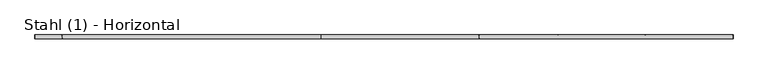
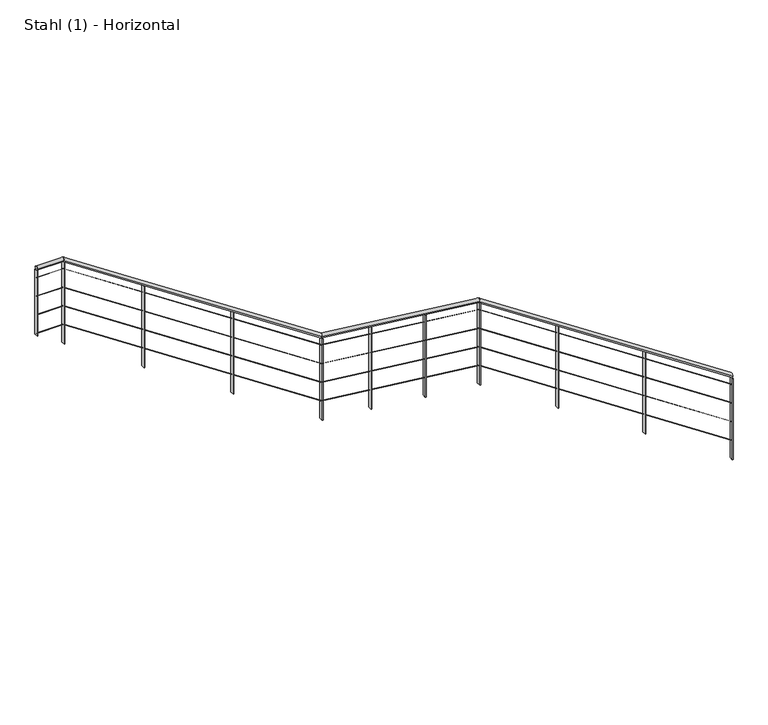
"""IFC4 building model written with IfcOpenShell, lengths in millimetres: railing geometry, Stahl (1) - Horizontal."""

from ifc_helpers import new_model, si_unit, frame, origin, place, context, project, spatial, polyline, circle_curve, ellipse_curve, outline, extrude, source, transform, mapped, element, save
from ifc_brep_helpers import plane_surface, cylinder_surface, advanced_brep


def stahl_1_horizontal_60a1b76e(model_context):
    return source(origin(), model_context, "Body", "SolidModel", [
        advanced_brep(
        [(4634.376212, 4905.5303268, 1086.2890973), (4634.376212, 4865.5303268, 1086.2890973), (2061.3911683, 4905.5303268, 2791.1440522), (2061.3911683, 4865.5303268, 2791.1440522), (461.3911683, 4905.5303268, 2972.0964332), (461.3911683, 4865.5303268, 2972.0964332), (-2160.4580306, 4905.5303268, 4709.3286835), (-2160.4580306, 4865.5303268, 4709.3286835), (-2427.5285499, 4905.5303268, 4709.3286835), (-2427.5285499, 4865.5303268, 4709.3286835)],
        [
            (0, 1, ellipse_curve(frame((4634.376212, 4885.5303268, 1086.2890973), z_axis=(1.0, 0.0, 0.0), x_axis=(0.0, 0.0, -1.0)), 23.9919671, 20.0)),
            (1, 0, ellipse_curve(frame((4634.376212, 4885.5303268, 1086.2890973), z_axis=(1.0, 0.0, 0.0), x_axis=(0.0, 0.0, -1.0)), 23.9919671, 20.0)),
            (0, 2),
            (2, 3, ellipse_curve(frame((2061.3911683, 4885.5303268, 2791.1440522), z_axis=(0.9397497898618704, 0.0, -0.3418630317167541), x_axis=(-0.34186303171675386, 0.0, -0.9397497898618706)), 20.5715803, 20.0)),
            (3, 1),
            (3, 2, ellipse_curve(frame((2061.3911683, 4885.5303268, 2791.1440522), z_axis=(0.9397497898618704, 0.0, -0.3418630317167541), x_axis=(-0.34186303171675386, 0.0, -0.9397497898618706)), 20.5715803, 20.0)),
            (2, 4),
            (4, 5, ellipse_curve(frame((461.3911683, 4885.5303268, 2972.0964332), z_axis=(0.9397497898618704, 0.0, -0.3418630317167541), x_axis=(0.34186303171675414, 0.0, 0.9397497898618703)), 20.5715803, 20.0)),
            (5, 3),
            (5, 4, ellipse_curve(frame((461.3911683, 4885.5303268, 2972.0964332), z_axis=(0.9397497898618704, 0.0, -0.3418630317167541), x_axis=(0.34186303171675414, 0.0, 0.9397497898618703)), 20.5715803, 20.0)),
            (4, 6),
            (6, 7, ellipse_curve(frame((-2160.4580306, 4885.5303268, 4709.3286835), z_axis=(0.9574999596457313, 0.0, -0.28843340180780547), x_axis=(-0.28843340180780525, 0.0, -0.9574999596457313)), 20.8877293, 20.0)),
            (7, 5),
            (7, 6, ellipse_curve(frame((-2160.4580306, 4885.5303268, 4709.3286835), z_axis=(0.9574999596457313, 0.0, -0.28843340180780547), x_axis=(-0.28843340180780525, 0.0, -0.9574999596457313)), 20.8877293, 20.0)),
            (8, 9, circle_curve(frame((-2427.5285499, 4885.5303268, 4709.3286835), z_axis=(-1.0, 0.0, 0.0), x_axis=(0.0, -1.0, 0.0)), 20.0)),
            (9, 8, circle_curve(frame((-2427.5285499, 4885.5303268, 4709.3286835), z_axis=(-1.0, 0.0, 0.0), x_axis=(0.0, -1.0, 0.0)), 20.0)),
            (6, 8),
            (9, 7),
        ],
        [
            plane_surface(frame((4634.376212, 4885.5303268, 1110.2810645), z_axis=(1.0, 0.0, 0.0), x_axis=(0.0, -1.0, 0.0))),
            cylinder_surface(frame((4623.3292132, 4885.5303268, 1093.6088176), z_axis=(0.833612345443154, 0.0, -0.5523499411829096), x_axis=(0.0, -1.0, 0.0)), 20.0),
            cylinder_surface(frame((2066.1762545, 4885.5303268, 2790.6028818), z_axis=(0.9936654360374934, 0.0, -0.11237882907566872), x_axis=(0.0, -1.0, 0.0)), 20.0),
            cylinder_surface(frame((457.3768323, 4885.5303268, 2974.7563245), z_axis=(0.833612345443154, 0.0, -0.5523499411829096), x_axis=(0.0, -1.0, 0.0)), 20.0),
            plane_surface(frame((-2427.5285499, 4885.5303268, 4729.3286835), z_axis=(-1.0, 0.0, 0.0), x_axis=(0.0, -1.0, 0.0))),
            cylinder_surface(frame((-2154.4333118, 4885.5303268, 4709.3286835), z_axis=(1.0, 0.0, 0.0), x_axis=(0.0, -1.0, 0.0)), 20.0),
        ],
        [
            (0, [[1, 2]]),
            (1, [[-1, 3, 4, 5]]),
            (1, [[-2, -5, 6, -3]]),
            (2, [[-4, 7, 8, 9]]),
            (2, [[-6, -9, 10, -7]]),
            (3, [[-8, 11, 12, 13]]),
            (3, [[-10, -13, 14, -11]]),
            (4, [[15, 16]]),
            (5, [[-12, 17, -16, 18]]),
            (5, [[-14, -18, -15, -17]]),
        ],
    ),
        advanced_brep(
        [(4634.376212, 4887.0303268, 988.4816669), (4634.376212, 4884.0303268, 988.4816669), (2067.8963814, 4887.0303268, 2689.0262801), (2067.8963814, 4884.0303268, 2689.0262801), (467.8963814, 4887.0303268, 2869.9786611), (467.8963814, 4884.0303268, 2869.9786611), (-2154.8851657, 4887.0303268, 4607.8286835), (-2154.8851657, 4884.0303268, 4607.8286835), (-2427.5285499, 4887.0303268, 4607.8286835), (-2427.5285499, 4884.0303268, 4607.8286835)],
        [
            (0, 1, ellipse_curve(frame((4634.376212, 4885.5303268, 988.4816669), z_axis=(1.0, 0.0, 0.0), x_axis=(0.0, 0.0, -1.0)), 1.7993975, 1.5)),
            (1, 0, ellipse_curve(frame((4634.376212, 4885.5303268, 988.4816669), z_axis=(1.0, 0.0, 0.0), x_axis=(0.0, 0.0, -1.0)), 1.7993975, 1.5)),
            (0, 2),
            (2, 3, ellipse_curve(frame((2067.8963814, 4885.5303268, 2689.0262801), z_axis=(0.9397497898618704, 0.0, -0.3418630317167542), x_axis=(-0.3418630317167542, 0.0, -0.9397497898618702)), 1.5428685, 1.5)),
            (3, 1),
            (3, 2, ellipse_curve(frame((2067.8963814, 4885.5303268, 2689.0262801), z_axis=(0.9397497898618704, 0.0, -0.3418630317167542), x_axis=(-0.3418630317167542, 0.0, -0.9397497898618702)), 1.5428685, 1.5)),
            (2, 4),
            (4, 5, ellipse_curve(frame((467.8963814, 4885.5303268, 2869.9786611), z_axis=(0.9397497898618703, 0.0, -0.34186303171675436), x_axis=(0.3418630317167544, 0.0, 0.9397497898618703)), 1.5428685, 1.5)),
            (5, 3),
            (5, 4, ellipse_curve(frame((467.8963814, 4885.5303268, 2869.9786611), z_axis=(0.9397497898618703, 0.0, -0.34186303171675436), x_axis=(0.3418630317167544, 0.0, 0.9397497898618703)), 1.5428685, 1.5)),
            (4, 6),
            (6, 7, ellipse_curve(frame((-2154.8851657, 4885.5303268, 4607.8286835), z_axis=(0.9574999596457312, 0.0, -0.2884334018078059), x_axis=(-0.2884334018078064, 0.0, -0.957499959645731)), 1.5665797, 1.5)),
            (7, 5),
            (7, 6, ellipse_curve(frame((-2154.8851657, 4885.5303268, 4607.8286835), z_axis=(0.9574999596457312, 0.0, -0.2884334018078059), x_axis=(-0.2884334018078064, 0.0, -0.957499959645731)), 1.5665797, 1.5)),
            (8, 9, circle_curve(frame((-2427.5285499, 4885.5303268, 4607.8286835), z_axis=(-1.0, 0.0, 0.0), x_axis=(0.0, -1.0, 0.0)), 1.5)),
            (9, 8, circle_curve(frame((-2427.5285499, 4885.5303268, 4607.8286835), z_axis=(-1.0, 0.0, 0.0), x_axis=(0.0, -1.0, 0.0)), 1.5)),
            (6, 8),
            (9, 7),
        ],
        [
            plane_surface(frame((4634.376212, 4885.5303268, 990.2810645), z_axis=(1.0, 0.0, 0.0), x_axis=(0.0, -1.0, 0.0))),
            cylinder_surface(frame((4633.5476871, 4885.5303268, 989.030646), z_axis=(0.833612345443154, 0.0, -0.5523499411829097), x_axis=(0.0, -1.0, 0.0)), 1.5),
            cylinder_surface(frame((2068.2552628, 4885.5303268, 2688.9856923), z_axis=(0.9936654360374934, 0.0, -0.11237882907566885), x_axis=(0.0, -1.0, 0.0)), 1.5),
            cylinder_surface(frame((467.5953062, 4885.5303268, 2870.1781529), z_axis=(0.8336123454431538, 0.0, -0.55234994118291), x_axis=(0.0, -1.0, 0.0)), 1.5),
            plane_surface(frame((-2427.5285499, 4885.5303268, 4609.3286835), z_axis=(-1.0, 0.0, 0.0), x_axis=(0.0, -1.0, 0.0))),
            cylinder_surface(frame((-2154.4333118, 4885.5303268, 4607.8286835), z_axis=(1.0, 0.0, 0.0), x_axis=(0.0, -1.0, 0.0)), 1.5),
        ],
        [
            (0, [[1, 2]]),
            (1, [[-1, 3, 4, 5]]),
            (1, [[-2, -5, 6, -3]]),
            (2, [[-4, 7, 8, 9]]),
            (2, [[-6, -9, 10, -7]]),
            (3, [[-8, 11, 12, 13]]),
            (3, [[-10, -13, 14, -11]]),
            (4, [[15, 16]]),
            (5, [[-12, 17, -16, 18]]),
            (5, [[-14, -18, -15, -17]]),
        ],
    ),
        advanced_brep(
        [(4634.376212, 4887.0303268, 788.4816669), (4634.376212, 4884.0303268, 788.4816669), (2067.8963814, 4887.0303268, 2489.0262801), (2067.8963814, 4884.0303268, 2489.0262801), (467.8963814, 4887.0303268, 2669.9786611), (467.8963814, 4884.0303268, 2669.9786611), (-2154.8851657, 4887.0303268, 4407.8286835), (-2154.8851657, 4884.0303268, 4407.8286835), (-2427.5285499, 4887.0303268, 4407.8286835), (-2427.5285499, 4884.0303268, 4407.8286835)],
        [
            (0, 1, ellipse_curve(frame((4634.376212, 4885.5303268, 788.4816669), z_axis=(1.0, 0.0, 0.0), x_axis=(0.0, 0.0, -1.0)), 1.7993975, 1.5)),
            (1, 0, ellipse_curve(frame((4634.376212, 4885.5303268, 788.4816669), z_axis=(1.0, 0.0, 0.0), x_axis=(0.0, 0.0, -1.0)), 1.7993975, 1.5)),
            (0, 2),
            (2, 3, ellipse_curve(frame((2067.8963814, 4885.5303268, 2489.0262801), z_axis=(0.9397497898618704, 0.0, -0.3418630317167542), x_axis=(-0.3418630317167542, 0.0, -0.9397497898618702)), 1.5428685, 1.5)),
            (3, 1),
            (3, 2, ellipse_curve(frame((2067.8963814, 4885.5303268, 2489.0262801), z_axis=(0.9397497898618704, 0.0, -0.3418630317167542), x_axis=(-0.3418630317167542, 0.0, -0.9397497898618702)), 1.5428685, 1.5)),
            (2, 4),
            (4, 5, ellipse_curve(frame((467.8963814, 4885.5303268, 2669.9786611), z_axis=(0.9397497898618703, 0.0, -0.34186303171675436), x_axis=(0.3418630317167544, 0.0, 0.9397497898618703)), 1.5428685, 1.5)),
            (5, 3),
            (5, 4, ellipse_curve(frame((467.8963814, 4885.5303268, 2669.9786611), z_axis=(0.9397497898618703, 0.0, -0.34186303171675436), x_axis=(0.3418630317167544, 0.0, 0.9397497898618703)), 1.5428685, 1.5)),
            (4, 6),
            (6, 7, ellipse_curve(frame((-2154.8851657, 4885.5303268, 4407.8286835), z_axis=(0.9574999596457312, 0.0, -0.2884334018078059), x_axis=(-0.2884334018078064, 0.0, -0.957499959645731)), 1.5665797, 1.5)),
            (7, 5),
            (7, 6, ellipse_curve(frame((-2154.8851657, 4885.5303268, 4407.8286835), z_axis=(0.9574999596457312, 0.0, -0.2884334018078059), x_axis=(-0.2884334018078064, 0.0, -0.957499959645731)), 1.5665797, 1.5)),
            (8, 9, circle_curve(frame((-2427.5285499, 4885.5303268, 4407.8286835), z_axis=(-1.0, 0.0, 0.0), x_axis=(0.0, -1.0, 0.0)), 1.5)),
            (9, 8, circle_curve(frame((-2427.5285499, 4885.5303268, 4407.8286835), z_axis=(-1.0, 0.0, 0.0), x_axis=(0.0, -1.0, 0.0)), 1.5)),
            (6, 8),
            (9, 7),
        ],
        [
            plane_surface(frame((4634.376212, 4885.5303268, 790.2810645), z_axis=(1.0, 0.0, 0.0), x_axis=(0.0, -1.0, 0.0))),
            cylinder_surface(frame((4633.5476871, 4885.5303268, 789.030646), z_axis=(0.833612345443154, 0.0, -0.5523499411829097), x_axis=(0.0, -1.0, 0.0)), 1.5),
            cylinder_surface(frame((2068.2552628, 4885.5303268, 2488.9856923), z_axis=(0.9936654360374934, 0.0, -0.11237882907566885), x_axis=(0.0, -1.0, 0.0)), 1.5),
            cylinder_surface(frame((467.5953062, 4885.5303268, 2670.1781529), z_axis=(0.8336123454431538, 0.0, -0.55234994118291), x_axis=(0.0, -1.0, 0.0)), 1.5),
            plane_surface(frame((-2427.5285499, 4885.5303268, 4409.3286835), z_axis=(-1.0, 0.0, 0.0), x_axis=(0.0, -1.0, 0.0))),
            cylinder_surface(frame((-2154.4333118, 4885.5303268, 4407.8286835), z_axis=(1.0, 0.0, 0.0), x_axis=(0.0, -1.0, 0.0)), 1.5),
        ],
        [
            (0, [[1, 2]]),
            (1, [[-1, 3, 4, 5]]),
            (1, [[-2, -5, 6, -3]]),
            (2, [[-4, 7, 8, 9]]),
            (2, [[-6, -9, 10, -7]]),
            (3, [[-8, 11, 12, 13]]),
            (3, [[-10, -13, 14, -11]]),
            (4, [[15, 16]]),
            (5, [[-12, 17, -16, 18]]),
            (5, [[-14, -18, -15, -17]]),
        ],
    ),
        advanced_brep(
        [(4634.376212, 4887.0303268, 588.4816669), (4634.376212, 4884.0303268, 588.4816669), (2067.8963814, 4887.0303268, 2289.0262801), (2067.8963814, 4884.0303268, 2289.0262801), (467.8963814, 4887.0303268, 2469.9786611), (467.8963814, 4884.0303268, 2469.9786611), (-2154.8851657, 4887.0303268, 4207.8286835), (-2154.8851657, 4884.0303268, 4207.8286835), (-2427.5285499, 4887.0303268, 4207.8286835), (-2427.5285499, 4884.0303268, 4207.8286835)],
        [
            (0, 1, ellipse_curve(frame((4634.376212, 4885.5303268, 588.4816669), z_axis=(1.0, 0.0, 0.0), x_axis=(0.0, 0.0, -1.0)), 1.7993975, 1.5)),
            (1, 0, ellipse_curve(frame((4634.376212, 4885.5303268, 588.4816669), z_axis=(1.0, 0.0, 0.0), x_axis=(0.0, 0.0, -1.0)), 1.7993975, 1.5)),
            (0, 2),
            (2, 3, ellipse_curve(frame((2067.8963814, 4885.5303268, 2289.0262801), z_axis=(0.9397497898618704, 0.0, -0.3418630317167542), x_axis=(-0.3418630317167542, 0.0, -0.9397497898618702)), 1.5428685, 1.5)),
            (3, 1),
            (3, 2, ellipse_curve(frame((2067.8963814, 4885.5303268, 2289.0262801), z_axis=(0.9397497898618704, 0.0, -0.3418630317167542), x_axis=(-0.3418630317167542, 0.0, -0.9397497898618702)), 1.5428685, 1.5)),
            (2, 4),
            (4, 5, ellipse_curve(frame((467.8963814, 4885.5303268, 2469.9786611), z_axis=(0.9397497898618703, 0.0, -0.34186303171675436), x_axis=(0.3418630317167544, 0.0, 0.9397497898618703)), 1.5428685, 1.5)),
            (5, 3),
            (5, 4, ellipse_curve(frame((467.8963814, 4885.5303268, 2469.9786611), z_axis=(0.9397497898618703, 0.0, -0.34186303171675436), x_axis=(0.3418630317167544, 0.0, 0.9397497898618703)), 1.5428685, 1.5)),
            (4, 6),
            (6, 7, ellipse_curve(frame((-2154.8851657, 4885.5303268, 4207.8286835), z_axis=(0.9574999596457312, 0.0, -0.2884334018078059), x_axis=(-0.2884334018078064, 0.0, -0.957499959645731)), 1.5665797, 1.5)),
            (7, 5),
            (7, 6, ellipse_curve(frame((-2154.8851657, 4885.5303268, 4207.8286835), z_axis=(0.9574999596457312, 0.0, -0.2884334018078059), x_axis=(-0.2884334018078064, 0.0, -0.957499959645731)), 1.5665797, 1.5)),
            (8, 9, circle_curve(frame((-2427.5285499, 4885.5303268, 4207.8286835), z_axis=(-1.0, 0.0, 0.0), x_axis=(0.0, -1.0, 0.0)), 1.5)),
            (9, 8, circle_curve(frame((-2427.5285499, 4885.5303268, 4207.8286835), z_axis=(-1.0, 0.0, 0.0), x_axis=(0.0, -1.0, 0.0)), 1.5)),
            (6, 8),
            (9, 7),
        ],
        [
            plane_surface(frame((4634.376212, 4885.5303268, 590.2810645), z_axis=(1.0, 0.0, 0.0), x_axis=(0.0, -1.0, 0.0))),
            cylinder_surface(frame((4633.5476871, 4885.5303268, 589.030646), z_axis=(0.833612345443154, 0.0, -0.5523499411829097), x_axis=(0.0, -1.0, 0.0)), 1.5),
            cylinder_surface(frame((2068.2552628, 4885.5303268, 2288.9856923), z_axis=(0.9936654360374934, 0.0, -0.11237882907566885), x_axis=(0.0, -1.0, 0.0)), 1.5),
            cylinder_surface(frame((467.5953062, 4885.5303268, 2470.1781529), z_axis=(0.8336123454431538, 0.0, -0.55234994118291), x_axis=(0.0, -1.0, 0.0)), 1.5),
            plane_surface(frame((-2427.5285499, 4885.5303268, 4209.3286835), z_axis=(-1.0, 0.0, 0.0), x_axis=(0.0, -1.0, 0.0))),
            cylinder_surface(frame((-2154.4333118, 4885.5303268, 4207.8286835), z_axis=(1.0, 0.0, 0.0), x_axis=(0.0, -1.0, 0.0)), 1.5),
        ],
        [
            (0, [[1, 2]]),
            (1, [[-1, 3, 4, 5]]),
            (1, [[-2, -5, 6, -3]]),
            (2, [[-4, 7, 8, 9]]),
            (2, [[-6, -9, 10, -7]]),
            (3, [[-8, 11, 12, 13]]),
            (3, [[-10, -13, 14, -11]]),
            (4, [[15, 16]]),
            (5, [[-12, 17, -16, 18]]),
            (5, [[-14, -18, -15, -17]]),
        ],
    ),
        advanced_brep(
        [(4634.376212, 4887.0303268, 388.4816669), (4634.376212, 4884.0303268, 388.4816669), (2067.8963814, 4887.0303268, 2089.0262801), (2067.8963814, 4884.0303268, 2089.0262801), (467.8963814, 4887.0303268, 2269.9786611), (467.8963814, 4884.0303268, 2269.9786611), (-2154.8851657, 4887.0303268, 4007.8286835), (-2154.8851657, 4884.0303268, 4007.8286835), (-2427.5285499, 4887.0303268, 4007.8286835), (-2427.5285499, 4884.0303268, 4007.8286835)],
        [
            (0, 1, ellipse_curve(frame((4634.376212, 4885.5303268, 388.4816669), z_axis=(1.0, 0.0, 0.0), x_axis=(0.0, 0.0, -1.0)), 1.7993975, 1.5)),
            (1, 0, ellipse_curve(frame((4634.376212, 4885.5303268, 388.4816669), z_axis=(1.0, 0.0, 0.0), x_axis=(0.0, 0.0, -1.0)), 1.7993975, 1.5)),
            (0, 2),
            (2, 3, ellipse_curve(frame((2067.8963814, 4885.5303268, 2089.0262801), z_axis=(0.9397497898618704, 0.0, -0.3418630317167542), x_axis=(-0.3418630317167544, 0.0, -0.9397497898618703)), 1.5428685, 1.5)),
            (3, 1),
            (3, 2, ellipse_curve(frame((2067.8963814, 4885.5303268, 2089.0262801), z_axis=(0.9397497898618704, 0.0, -0.3418630317167542), x_axis=(-0.3418630317167544, 0.0, -0.9397497898618703)), 1.5428685, 1.5)),
            (2, 4),
            (4, 5, ellipse_curve(frame((467.8963814, 4885.5303268, 2269.9786611), z_axis=(0.9397497898618703, 0.0, -0.3418630317167542), x_axis=(0.34186303171675436, 0.0, 0.9397497898618704)), 1.5428685, 1.5)),
            (5, 3),
            (5, 4, ellipse_curve(frame((467.8963814, 4885.5303268, 2269.9786611), z_axis=(0.9397497898618703, 0.0, -0.3418630317167542), x_axis=(0.34186303171675436, 0.0, 0.9397497898618704)), 1.5428685, 1.5)),
            (4, 6),
            (6, 7, ellipse_curve(frame((-2154.8851657, 4885.5303268, 4007.8286835), z_axis=(0.9574999596457313, 0.0, -0.2884334018078055), x_axis=(-0.28843340180780525, 0.0, -0.9574999596457314)), 1.5665797, 1.5)),
            (7, 5),
            (7, 6, ellipse_curve(frame((-2154.8851657, 4885.5303268, 4007.8286835), z_axis=(0.9574999596457313, 0.0, -0.2884334018078055), x_axis=(-0.28843340180780525, 0.0, -0.9574999596457314)), 1.5665797, 1.5)),
            (8, 9, circle_curve(frame((-2427.5285499, 4885.5303268, 4007.8286835), z_axis=(-1.0, 0.0, 0.0), x_axis=(0.0, -1.0, 0.0)), 1.5)),
            (9, 8, circle_curve(frame((-2427.5285499, 4885.5303268, 4007.8286835), z_axis=(-1.0, 0.0, 0.0), x_axis=(0.0, -1.0, 0.0)), 1.5)),
            (6, 8),
            (9, 7),
        ],
        [
            plane_surface(frame((4634.376212, 4885.5303268, 390.2810645), z_axis=(1.0, 0.0, 0.0), x_axis=(0.0, -1.0, 0.0))),
            cylinder_surface(frame((4633.5476871, 4885.5303268, 389.030646), z_axis=(0.833612345443154, 0.0, -0.5523499411829096), x_axis=(0.0, -1.0, 0.0)), 1.5),
            cylinder_surface(frame((2068.2552628, 4885.5303268, 2088.9856923), z_axis=(0.9936654360374932, 0.0, -0.11237882907566894), x_axis=(0.0, -1.0, 0.0)), 1.5),
            cylinder_surface(frame((467.5953062, 4885.5303268, 2270.1781529), z_axis=(0.833612345443154, 0.0, -0.5523499411829097), x_axis=(0.0, -1.0, 0.0)), 1.5),
            plane_surface(frame((-2427.5285499, 4885.5303268, 4009.3286835), z_axis=(-1.0, 0.0, 0.0), x_axis=(0.0, -1.0, 0.0))),
            cylinder_surface(frame((-2154.4333118, 4885.5303268, 4007.8286835), z_axis=(1.0, 0.0, 0.0), x_axis=(0.0, -1.0, 0.0)), 1.5),
        ],
        [
            (0, [[1, 2]]),
            (1, [[-1, 3, 4, 5]]),
            (1, [[-2, -5, 6, -3]]),
            (2, [[-4, 7, 8, 9]]),
            (2, [[-6, -9, 10, -7]]),
            (3, [[-8, 11, 12, 13]]),
            (3, [[-10, -13, 14, -11]]),
            (4, [[15, 16]]),
            (5, [[-12, 17, -16, 18]]),
            (5, [[-14, -18, -15, -17]]),
        ],
    ),
        extrude(outline(polyline([(4139.3460463, -1336.443164), (4144.6468309, -1344.443164), (3269.9803729, -1344.443164), (3269.9803729, -1336.443164), (4139.3460463, -1336.443164)])), frame((0.0, 4865.5303268, 0.0), z_axis=(0.0, 1.0, 0.0), x_axis=(0.0, 0.0, 1.0)), (0.0, 0.0, 1.0), 40.0),
        extrude(outline(polyline([(3540.0701455, -432.0096665), (3545.3709302, -440.0096665), (2670.7044722, -440.0096665), (2670.7044722, -432.0096665), (3540.0701455, -432.0096665)])), frame((0.0, 4865.5303268, 0.0), z_axis=(0.0, 1.0, 0.0), x_axis=(0.0, 0.0, 1.0)), (0.0, 0.0, 1.0), 40.0),
        extrude(outline(polyline([(2894.5635571, 968.9755552), (2895.4683191, 960.9755552), (2015.270936, 960.9755552), (2015.270936, 968.9755552), (2894.5635571, 968.9755552)])), frame((0.0, 4865.5303268, 0.0), z_axis=(0.0, 1.0, 0.0), x_axis=(0.0, 0.0, 1.0)), (0.0, 0.0, 1.0), 40.0),
        extrude(outline(polyline([(2832.1661844, 1520.6996931), (2833.0709463, 1512.6996931), (1952.8735632, 1512.6996931), (1952.8735632, 1520.6996931), (2832.1661844, 1520.6996931)])), frame((0.0, 4865.5303268, 0.0), z_axis=(0.0, 1.0, 0.0), x_axis=(0.0, 0.0, 1.0)), (0.0, 0.0, 1.0), 40.0),
        extrude(outline(polyline([(2232.1951006, 2868.7538803), (2237.4958853, 2860.7538803), (1362.8294272, 2860.7538803), (1362.8294272, 2868.7538803), (2232.1951006, 2868.7538803)])), frame((0.0, 4865.5303268, 0.0), z_axis=(0.0, 1.0, 0.0), x_axis=(0.0, 0.0, 1.0)), (0.0, 0.0, 1.0), 40.0),
        extrude(outline(polyline([(1645.9209192, 3753.5650462), (1651.2217039, 3745.5650462), (776.5552459, 3745.5650462), (776.5552459, 3753.5650462), (1645.9209192, 3753.5650462)])), frame((0.0, 4865.5303268, 0.0), z_axis=(0.0, 1.0, 0.0), x_axis=(0.0, 0.0, 1.0)), (0.0, 0.0, 1.0), 40.0),
        extrude(outline(polyline([(4678.6943569, -2150.4333118), (4683.9951416, -2158.4333118), (3809.3286835, -2158.4333118), (3809.3286835, -2150.4333118), (4678.6943569, -2150.4333118)])), frame((0.0, 4865.5303268, 0.0), z_axis=(0.0, 1.0, 0.0), x_axis=(0.0, 0.0, 1.0)), (0.0, 0.0, 1.0), 40.0),
        extrude(outline(polyline([(2940.7942448, 472.4238311), (2946.0950295, 464.4238311), (2071.4285714, 464.4238311), (2071.4285714, 472.4238311), (2940.7942448, 472.4238311)])), frame((0.0, 4865.5303268, 0.0), z_axis=(0.0, 1.0, 0.0), x_axis=(0.0, 0.0, 1.0)), (0.0, 0.0, 1.0), 40.0),
        extrude(outline(polyline([(2769.7688117, 2072.4238311), (2770.6735736, 2064.4238311), (1890.4761905, 2064.4238311), (1890.4761905, 2072.4238311), (2769.7688117, 2072.4238311)])), frame((0.0, 4865.5303268, 0.0), z_axis=(0.0, 1.0, 0.0), x_axis=(0.0, 0.0, 1.0)), (0.0, 0.0, 1.0), 40.0),
        extrude(outline(polyline([(-2423.5285499, 4865.5303268), (-2431.5285499, 4865.5303268), (-2431.5285499, 4905.5303268), (-2423.5285499, 4905.5303268), (-2423.5285499, 4865.5303268)])), frame((0.0, 0.0, 3990.2810645), z_axis=(0.0, 0.0, 1.0), x_axis=(1.0, 0.0, 0.0)), (0.0, 0.0, 1.0), 699.047619),
        extrude(outline(polyline([(1059.6467379, 4638.376212), (1064.9475225, 4630.376212), (190.2810645, 4630.376212), (190.2810645, 4638.376212), (1059.6467379, 4638.376212)])), frame((0.0, 4865.5303268, 0.0), z_axis=(0.0, 1.0, 0.0), x_axis=(0.0, 0.0, 1.0)), (0.0, 0.0, 1.0), 40.0),
    ])


if __name__ == "__main__":
    model = new_model("IFC4")
    model_context = context("Model", 3, world=origin())
    ifc_project = project(units=[si_unit("LENGTHUNIT", "METRE", prefix="MILLI")], contexts=[model_context])
    site = spatial("IfcSite", under=ifc_project)
    building = spatial("IfcBuilding", under=site)
    placement = place(None, origin())
    stahl_1_horizontal_shape = stahl_1_horizontal_60a1b76e(model_context)
    element("IfcRailing", 1, ObjectType="Stahl (1) - Horizontal", at=placement, inside=building, context=model_context, shape_type="MappedRepresentation", body=[
        mapped(stahl_1_horizontal_shape, transform((0.0, 0.0, 0.0), x_axis=(1.0, 0.0, 0.0), y_axis=(0.0, 1.0, 0.0), z_axis=(0.0, 0.0, 1.0))),
    ])
    save(model, "model.ifc")
